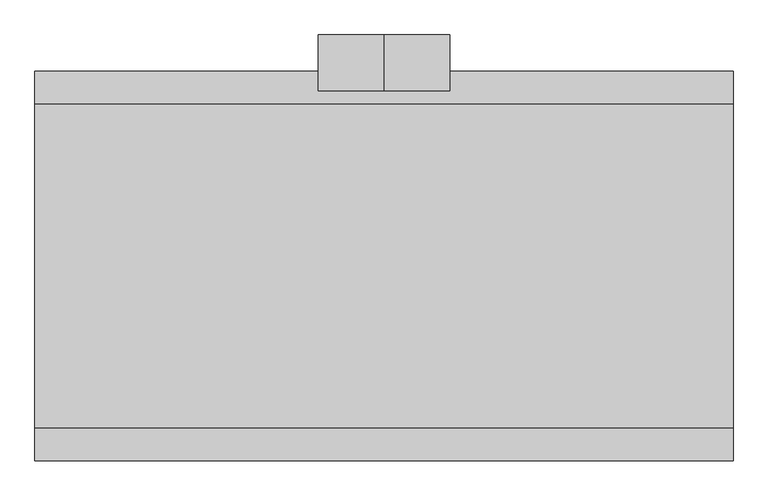
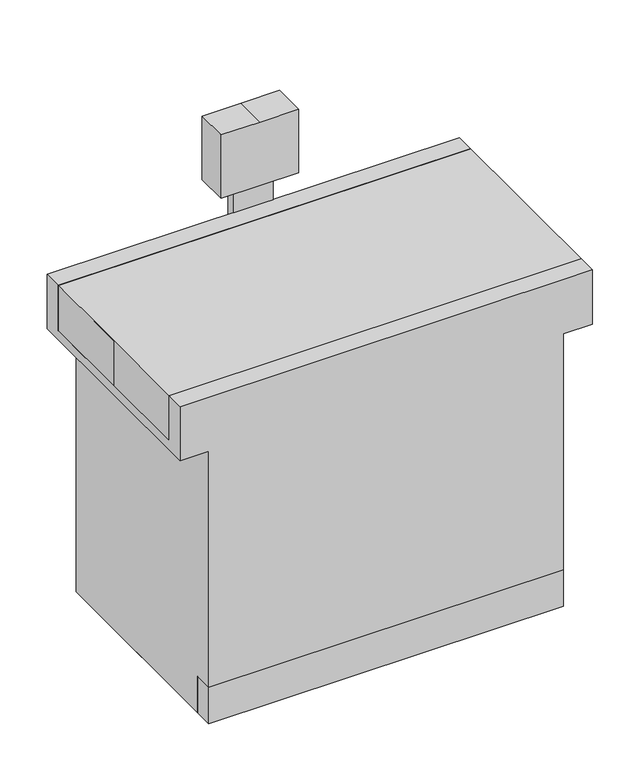
"""IFC4 building model written with IfcOpenShell, lengths in millimetres: proxy geometry."""

from ifc_helpers import new_model, si_unit, frame, origin, place, context, project, spatial, polyline, outline, extrude, faceted_brep, source, transform, mapped, element, save


def specialty_equipment_3b79f038(model_context):
    return source(origin(), model_context, "Body", "SolidModel", [
        extrude(outline(polyline([(51.934859, 330.2), (51.934859, 304.8), (-51.934859, 304.8), (-51.934859, 330.2), (51.934859, 330.2)])), frame((0.0, 0.0, 762.0), z_axis=(0.0, 0.0, 1.0), x_axis=(1.0, 0.0, 0.0)), (0.0, 0.0, 1.0), 228.6),
        faceted_brep([(-469.9, 304.8, 762.0), (-469.9, -304.8, 762.0), (-546.1, -304.8, 762.0), (-546.1, 304.8, 762.0), (-469.9, 304.8, 0.0), (-469.9, -254.0, 0.0), (-469.9, -254.0, 101.6), (-469.9, -304.8, 101.6), (469.9, 304.8, 762.0), (469.9, -304.8, 762.0), (469.9, -304.8, 101.6), (469.9, -254.0, 101.6), (469.9, -254.0, 0.0), (469.9, 304.8, 0.0), (546.1, 304.8, 762.0), (546.1, -304.8, 762.0), (546.1, 254.0, 914.4), (546.1, 254.0, 787.4), (546.1, -254.0, 787.4), (546.1, -254.0, 914.4), (546.1, -304.8, 914.4), (546.1, 304.8, 914.4), (-546.1, 254.0, 914.4), (-546.1, 304.8, 914.4), (-546.1, -304.8, 914.4), (-546.1, -254.0, 914.4), (-546.1, -254.0, 787.4), (-546.1, 254.0, 787.4)], [[[0, 1, 2, 3]], [[1, 0, 4, 5, 6, 7]], [[8, 9, 10, 11, 12, 13]], [[9, 8, 14, 15]], [[16, 17, 18, 19, 20, 15, 14, 21]], [[22, 23, 3, 2, 24, 25, 26, 27]], [[17, 16, 22, 27]], [[18, 17, 27, 26]], [[19, 18, 26, 25]], [[20, 19, 25, 24]], [[20, 24, 2, 1, 7, 10, 9, 15]], [[10, 7, 6, 11]], [[11, 6, 5, 12]], [[12, 5, 4, 13]], [[23, 21, 14, 8, 13, 4, 0, 3]], [[16, 21, 23, 22]]]),
        faceted_brep([(-546.1, 304.8, 914.4), (-546.1, 0.0, 914.4), (-546.1, -304.8, 914.4), (546.1, -304.8, 914.4), (546.1, 304.8, 914.4), (-469.9, 304.8, 0.0), (469.9, 304.8, 0.0), (469.9, -304.8, 0.0), (-469.9, -304.8, 0.0), (-546.1, 304.8, 762.0), (-546.1, 0.0, 762.0), (-546.1, -304.8, 762.0), (-469.9, -304.8, 762.0), (469.9, -304.8, 762.0), (546.1, -304.8, 762.0), (546.1, 304.8, 762.0), (469.9, 304.8, 762.0), (-469.9, 304.8, 762.0)], [[[0, 1, 2, 3, 4]], [[5, 6, 7, 8]], [[1, 0, 9, 10]], [[2, 1, 10, 11]], [[3, 2, 11, 12, 8, 7, 13, 14]], [[4, 3, 14, 15]], [[0, 4, 15, 16, 6, 5, 17, 9]], [[17, 12, 11, 10, 9]], [[12, 17, 5, 8]], [[16, 13, 7, 6]], [[13, 16, 15, 14]]]),
        extrude(outline(polyline([(990.6, -102.734859), (990.6, 102.734859), (1168.4, 102.734859), (1168.4, 0.0), (1168.4, -102.734859), (990.6, -102.734859)])), frame((0.0, 274.2493025, 0.0), z_axis=(0.0, 1.0, 0.0), x_axis=(0.0, 0.0, 1.0)), (0.0, 0.0, 1.0), 87.3071986),
        extrude(outline(polyline([(-520.7, -254.0), (-546.1, -254.0), (-546.1, 254.0), (-520.7, 254.0), (-520.7, -254.0)])), frame((0.0, 0.0, 787.4), z_axis=(0.0, 0.0, 1.0), x_axis=(1.0, 0.0, 0.0)), (0.0, 0.0, 1.0), 127.0),
    ])


if __name__ == "__main__":
    model = new_model("IFC4")
    model_context = context("Model", 3, world=origin())
    ifc_project = project(units=[si_unit("LENGTHUNIT", "METRE", prefix="MILLI")], contexts=[model_context])
    site = spatial("IfcSite", under=ifc_project)
    building = spatial("IfcBuilding", under=site)
    placement = place(None, origin())
    specialty_equipment_shape = specialty_equipment_3b79f038(model_context)
    element("IfcBuildingElementProxy", 1, Name="Specialty Equipment", at=placement, inside=building, context=model_context, shape_type="MappedRepresentation", body=[
        mapped(specialty_equipment_shape, transform((0.0, 0.0, 0.0), x_axis=(1.0, 0.0, 0.0), y_axis=(0.0, 1.0, 0.0), z_axis=(0.0, 0.0, 1.0))),
    ])
    save(model, "model.ifc")
